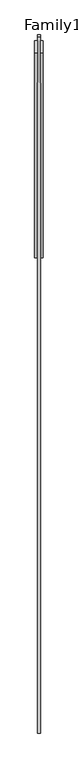
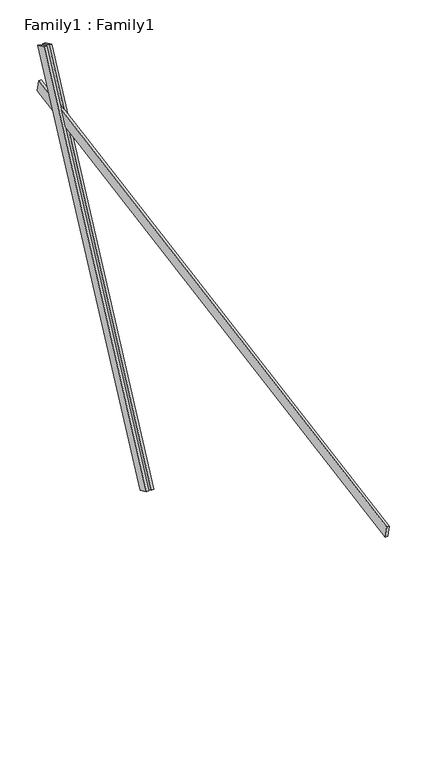
"""IFC4 building model written with IfcOpenShell, lengths in millimetres: proxy geometry, Family1 : Family1."""

from ifc_helpers import new_model, si_unit, frame, origin, place, context, project, spatial, polyline, outline, extrude, source, transform, mapped, element, save


def family1_family1_96649aca(model_context):
    return source(origin(), model_context, "Body", "SweptSolid", [
        extrude(outline(polyline([(0.0, 0.0), (0.0, -20.0), (-100.0000001, -20.0), (-100.0000001, 0.0), (0.0, 0.0)])), frame((-30.0, 46.3241747, -22.5938096), z_axis=(0.0, 0.4383711467890692, 0.8987940462991711), x_axis=(0.0, 0.8987940462991711, -0.4383711467890692)), (0.0, 0.0, 1.0), 3300.0),
        extrude(outline(polyline([(0.0, 0.0), (0.0, -20.0), (-99.9999999, -20.0), (-99.9999999, 0.0), (0.0, 0.0)])), frame((10.0, 45.270232, -22.0797674), z_axis=(0.0, 0.4383711467890692, 0.8987940462991711), x_axis=(0.0, 0.8987940462991711, -0.4383711467890692)), (0.0, 0.0, 1.0), 3300.0),
        extrude(outline(polyline([(0.0, -20.0), (0.0, 0.0), (5000.0, 0.0), (5000.0, -20.0), (0.0, -20.0)])), frame((-10.0, -3390.7636708, 1651.5382286), z_axis=(0.0, -0.17364817766692775, 0.9848077530122086), x_axis=(0.0, 0.9848077530122086, 0.17364817766692775)), (0.0, 0.0, 1.0), 100.0),
    ])


if __name__ == "__main__":
    model = new_model("IFC4")
    model_context = context("Model", 3, world=origin())
    ifc_project = project(units=[si_unit("LENGTHUNIT", "METRE", prefix="MILLI")], contexts=[model_context])
    site = spatial("IfcSite", under=ifc_project)
    building = spatial("IfcBuilding", under=site)
    placement = place(None, origin())
    family1_family1_shape = family1_family1_96649aca(model_context)
    element("IfcBuildingElementProxy", 1, Name="Family1 : Family1", ObjectType="Family1 : Family1", at=placement, inside=building, context=model_context, shape_type="MappedRepresentation", body=[
        mapped(family1_family1_shape, transform((0.0, 0.0, 0.0), x_axis=(1.0, 0.0, 0.0), y_axis=(0.0, 1.0, 0.0), z_axis=(0.0, 0.0, 1.0))),
    ])
    save(model, "model.ifc")
